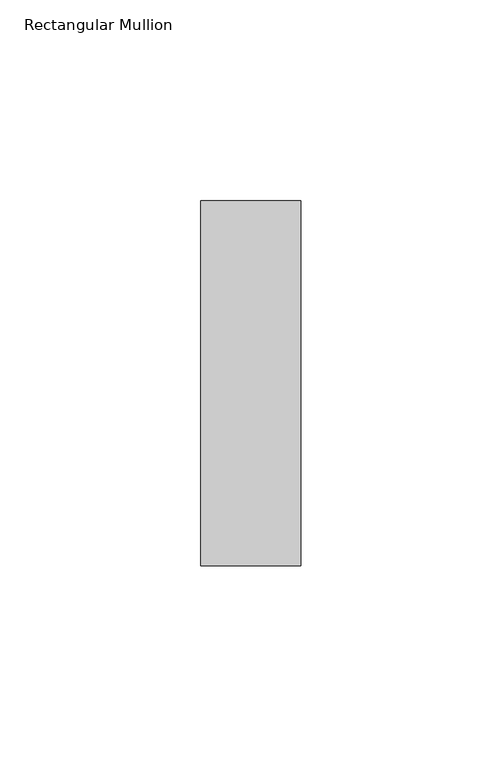
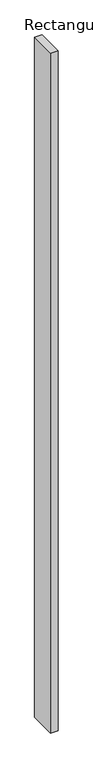
"""IFC4 building model written with IfcOpenShell, lengths in millimetres: member geometry, Rectangular Mullion."""

from ifc_helpers import new_model, si_unit, frame, origin, place, context, project, spatial, polyline, outline, extrude, source, transform, mapped, element, save


def rectangular_mullion_b92e6de5(model_context):
    return source(origin(), model_context, "Body", "SweptSolid", [
        extrude(outline(polyline([(-25.0, 45.5), (0.0, 45.5), (0.0, -45.5), (-25.0, -45.5), (-25.0, 45.5)])), frame((0.0, 0.0, -2400.0), z_axis=(0.0, 0.0, 1.0), x_axis=(1.0, 0.0, 0.0)), (0.0, 0.0, 1.0), 2400.0),
    ])


if __name__ == "__main__":
    model = new_model("IFC4")
    model_context = context("Model", 3, world=origin())
    ifc_project = project(units=[si_unit("LENGTHUNIT", "METRE", prefix="MILLI")], contexts=[model_context])
    site = spatial("IfcSite", under=ifc_project)
    building = spatial("IfcBuilding", under=site)
    placement = place(None, origin())
    rectangular_mullion_shape = rectangular_mullion_b92e6de5(model_context)
    element("IfcMember", 1, ObjectType="Rectangular Mullion", at=placement, inside=building, context=model_context, shape_type="MappedRepresentation", body=[
        mapped(rectangular_mullion_shape, transform((0.0, 0.0, 0.0), x_axis=(1.0, 0.0, 0.0), y_axis=(0.0, 1.0, 0.0), z_axis=(0.0, 0.0, 1.0))),
    ])
    save(model, "model.ifc")
